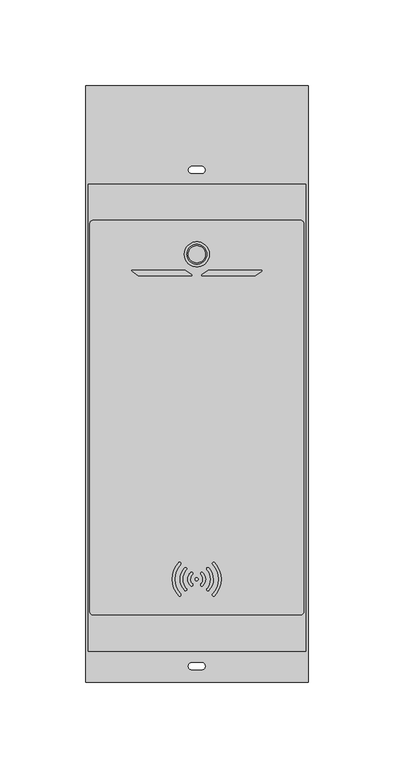
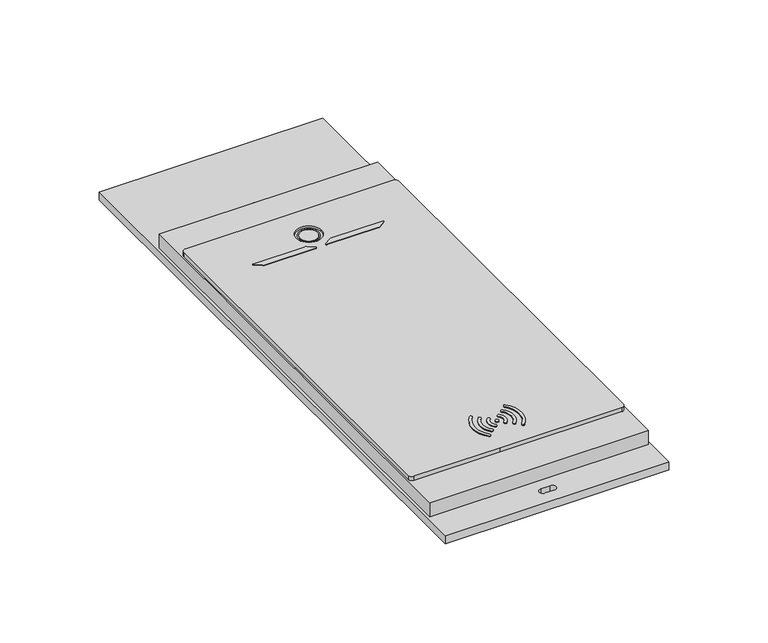
"""IFC4 building model written with IfcOpenShell, lengths in millimetres: proxy geometry."""

import ifcopenshell
import ifcopenshell.guid

model = None  # the IFC model being written
_history = None  # IfcOwnerHistory: only IFC2X3 demands one
_inside = {}  # id of a spatial element -> (the spatial element, [elements in it])
_under = {}  # id of a project, library or spatial element -> (it, [spatial elements below it])
_declared = {}  # id of a project -> (the project, [libraries it declares])
_typed = {}  # id of a type object -> (the type object, [elements of that type])
_made_of = {}  # id of a material, layer set ... -> (it, [elements and type objects made of it])


def new_model(schema):
    """Start an empty IFC model of exactly this schema.

    Asked for "IFC4X3", IfcOpenShell would pick the latest addendum, in which some entities
    have other attributes; the version numbers below select the first issue.
    IFC2X3 requires an IfcOwnerHistory on every rooted entity: one is made here for all.
    """
    global model, _history
    if schema == "IFC4X3":
        model = ifcopenshell.file(schema_version=(4, 3, 0, 0))
    else:
        model = ifcopenshell.file(schema=schema)
    _inside.clear()
    _under.clear()
    _declared.clear()
    _typed.clear()
    _made_of.clear()
    _history = None
    if model.schema == "IFC2X3":
        org = make("IfcOrganization", Name="unknown")
        user = make(
            "IfcPersonAndOrganization",
            ThePerson=make("IfcPerson", FamilyName="unknown"),
            TheOrganization=org,
        )
        app = make(
            "IfcApplication",
            ApplicationDeveloper=org,
            Version="unknown",
            ApplicationFullName="unknown",
            ApplicationIdentifier="unknown",
        )
        _history = make(
            "IfcOwnerHistory",
            OwningUser=user,
            OwningApplication=app,
            ChangeAction="ADDED",
            CreationDate=0,
        )
    return model


def make(cls, **values):
    """One entity of the class cls with the attributes given. An attribute that is None is left unset."""
    return model.create_entity(
        cls, **{name: value for name, value in values.items() if value is not None}
    )


def rooted(cls, **values):
    """An entity with a GlobalId (a new one), such as an element, a storey or a relation."""
    return make(cls, GlobalId=ifcopenshell.guid.new(), OwnerHistory=_history, **values)


def si_unit(unit_type, name, prefix=None):
    """IfcSIUnit, for example si_unit("LENGTHUNIT", "METRE", prefix="MILLI")."""
    return make("IfcSIUnit", UnitType=unit_type, Prefix=prefix, Name=name)


def assignment(units):
    """IfcUnitAssignment: the units of a project."""
    return None if units is None else make("IfcUnitAssignment", Units=units)


def point(xyz):
    """IfcCartesianPoint."""
    return None if xyz is None else make("IfcCartesianPoint", Coordinates=xyz)


def direction(xyz):
    """IfcDirection."""
    return None if xyz is None else make("IfcDirection", DirectionRatios=xyz)


def frame(location, z_axis=None, x_axis=None):
    """IfcAxis2Placement3D, a coordinate frame: its origin and axes. An axis left out is left unset."""
    return make(
        "IfcAxis2Placement3D",
        Location=point(location),
        Axis=direction(z_axis),
        RefDirection=direction(x_axis),
    )


def frame_2d(location, x_axis=None):
    """IfcAxis2Placement2D, a coordinate frame in the plane: its origin and x axis."""
    return make(
        "IfcAxis2Placement2D", Location=point(location), RefDirection=direction(x_axis)
    )


def origin():
    """The frame at (0, 0, 0) with its axes left unset."""
    return frame((0.0, 0.0, 0.0))


def origin_with_axes():
    """The frame at (0, 0, 0) with the z axis (0, 0, 1) and the x axis (1, 0, 0) written out."""
    return frame((0.0, 0.0, 0.0), z_axis=(0.0, 0.0, 1.0), x_axis=(1.0, 0.0, 0.0))


def place(relative_to, where):
    """IfcLocalPlacement: puts the frame where relative to a parent placement (None: the world)."""
    return make(
        "IfcLocalPlacement", PlacementRelTo=relative_to, RelativePlacement=where
    )


def context(
    kind, dimensions, precision=None, world=None, true_north=None, identifier=None
):
    """IfcGeometricRepresentationContext, for example the 3D "Model" context."""
    return make(
        "IfcGeometricRepresentationContext",
        ContextIdentifier=identifier,
        ContextType=kind,
        CoordinateSpaceDimension=dimensions,
        Precision=precision,
        WorldCoordinateSystem=world,
        TrueNorth=true_north,
    )


def project(units=None, contexts=None):
    """IfcProject with its units and contexts."""
    return rooted(
        "IfcProject",
        Name="project",
        RepresentationContexts=contexts,
        UnitsInContext=assignment(units),
    )


def spatial(cls, under=None, at=None, **own):
    """A site, building, storey or space (cls), placed at a placement, below another one or the project."""
    s = rooted(cls, ObjectPlacement=at, **own)
    if under is not None:
        _under.setdefault(under.id(), (under, []))[1].append(s)
    return s


def polyline(points):
    """IfcPolyline through the points."""
    return make("IfcPolyline", Points=[point(p) for p in points])


def circle_curve(where, radius):
    """IfcCircle in the frame where."""
    return make("IfcCircle", Position=where, Radius=radius)


def trimmed(basis, trim1, trim2, sense, master):
    """IfcTrimmedCurve: the piece of a basis curve between two trims."""
    return make(
        "IfcTrimmedCurve",
        BasisCurve=basis,
        Trim1=trim1,
        Trim2=trim2,
        SenseAgreement=sense,
        MasterRepresentation=master,
    )


def segment(curve, same_sense, transition):
    """IfcCompositeCurveSegment."""
    return make(
        "IfcCompositeCurveSegment",
        Transition=transition,
        SameSense=same_sense,
        ParentCurve=curve,
    )


def composite_curve(segments, self_intersect=None):
    """IfcCompositeCurve: segments joined end to end."""
    return make("IfcCompositeCurve", Segments=segments, SelfIntersect=self_intersect)


def outline(outer, holes=None, kind="AREA"):
    """IfcArbitraryClosedProfileDef: a profile drawn as a closed curve; with holes, ...WithVoids."""
    if holes is None:
        return make("IfcArbitraryClosedProfileDef", ProfileType=kind, OuterCurve=outer)
    return make(
        "IfcArbitraryProfileDefWithVoids",
        ProfileType=kind,
        OuterCurve=outer,
        InnerCurves=holes,
    )


def extrude(swept, where, along, depth):
    """IfcExtrudedAreaSolid: the profile swept, set in the frame where, extruded along a direction by depth."""
    return make(
        "IfcExtrudedAreaSolid",
        SweptArea=swept,
        Position=where,
        ExtrudedDirection=direction(along),
        Depth=depth,
    )


def shape(context_of_items, identifier, shape_type, items):
    """IfcShapeRepresentation: the items that make up one representation, for example the "Body"."""
    return make(
        "IfcShapeRepresentation",
        ContextOfItems=context_of_items,
        RepresentationIdentifier=identifier,
        RepresentationType=shape_type,
        Items=items,
    )


def source(mapping_origin, context_of_items, identifier, shape_type, items):
    """IfcRepresentationMap: a shape defined once, which mapped items show again and again."""
    return make(
        "IfcRepresentationMap",
        MappingOrigin=mapping_origin,
        MappedRepresentation=shape(context_of_items, identifier, shape_type, items),
    )


def transform(
    local_origin,
    x_axis=None,
    y_axis=None,
    z_axis=None,
    scale=None,
    scale2=None,
    scale3=None,
    uniform=True,
):
    """IfcCartesianTransformationOperator3D, or its non-uniform kind. x_axis, y_axis, z_axis: its Axis1, 2, 3."""
    if uniform:
        return make(
            "IfcCartesianTransformationOperator3D",
            Axis1=direction(x_axis),
            Axis2=direction(y_axis),
            LocalOrigin=point(local_origin),
            Scale=scale,
            Axis3=direction(z_axis),
        )
    return make(
        "IfcCartesianTransformationOperator3DnonUniform",
        Axis1=direction(x_axis),
        Axis2=direction(y_axis),
        LocalOrigin=point(local_origin),
        Scale=scale,
        Axis3=direction(z_axis),
        Scale2=scale2,
        Scale3=scale3,
    )


def mapped(mapping_source, mapping_target):
    """IfcMappedItem: shows the shape of a source again, moved by a transform."""
    return make(
        "IfcMappedItem", MappingSource=mapping_source, MappingTarget=mapping_target
    )


def made_of(thing, what):
    """Note that an element or type object is made of a material, layer set ...; save() writes the relation."""
    if what is not None:
        _made_of.setdefault(what.id(), (what, []))[1].append(thing)
    return thing


def element(
    cls,
    number,
    at=None,
    inside=None,
    cuts=None,
    type_object=None,
    material=None,
    context=None,
    identifier="Body",
    shape_type=None,
    held_by="IfcProductDefinitionShape",
    body=None,
    shapes=None,
    **own,
):
    """One element of the class cls, such as IfcWall. Its Tag is "e" and its number.

    at: its placement. inside: the storey or other place that contains it. cuts: it is an
    opening in that element (IfcRelVoidsElement). A single representation is given by context,
    identifier, shape_type and body (its items); several are given by shapes. held_by: the class
    of the entity that holds the representations. save() writes the other relations.
    """
    e = rooted(cls, Tag="e%d" % number, ObjectPlacement=at, **own)
    if body is not None:
        shapes = [shape(context, identifier, shape_type, body)]
    if shapes is not None:
        e.Representation = make(held_by, Representations=shapes)
    if inside is not None:
        _inside.setdefault(inside.id(), (inside, []))[1].append(e)
    if cuts is not None:
        rooted(
            "IfcRelVoidsElement", RelatingBuildingElement=cuts, RelatedOpeningElement=e
        )
    if type_object is not None:
        _typed.setdefault(type_object.id(), (type_object, []))[1].append(e)
    return made_of(e, material)


def aggregate(whole, parts):
    """IfcRelAggregates: a whole, such as a stair, and the parts it consists of."""
    return rooted("IfcRelAggregates", RelatingObject=whole, RelatedObjects=parts)


def save(model, path):
    """Write the relations noted so far, then the file.

    IfcRelAggregates (storeys below a building ...), IfcRelContainedInSpatialStructure (elements
    in a storey), IfcRelDefinesByType, IfcRelAssociatesMaterial and IfcRelDeclares: one each for
    every whole, place, type object, material and project.
    """
    for whole, parts in _under.values():
        aggregate(whole, parts)
    for where, things in _inside.values():
        rooted(
            "IfcRelContainedInSpatialStructure",
            RelatedElements=things,
            RelatingStructure=where,
        )
    for kind, things in _typed.values():
        rooted("IfcRelDefinesByType", RelatedObjects=things, RelatingType=kind)
    for what, things in _made_of.values():
        rooted("IfcRelAssociatesMaterial", RelatedObjects=things, RelatingMaterial=what)
    for by, libraries in _declared.values():
        rooted("IfcRelDeclares", RelatingContext=by, RelatedDefinitions=libraries)
    model.write(path)


def plane_surface(at):
    """IfcPlane: the flat surface through the origin of the frame at, square to its z axis."""
    return make("IfcPlane", Position=at)


def cylinder_surface(at, radius):
    """IfcCylindricalSurface: all points at the distance radius from the z axis of the frame at."""
    return make("IfcCylindricalSurface", Position=at, Radius=radius)


def revolved_surface(curve, axis_point, axis_direction):
    """IfcSurfaceOfRevolution: the curve turned about the line through axis_point along axis_direction."""
    return make(
        "IfcSurfaceOfRevolution",
        SweptCurve=make("IfcArbitraryOpenProfileDef", ProfileType="CURVE", Curve=curve),
        AxisPosition=make("IfcAxis1Placement", Location=point(axis_point), Axis=direction(axis_direction)),
    )


def advanced_brep(points, edges, surfaces, faces):
    """IfcAdvancedBrep: a solid bounded by faces that lie on surfaces and meet in shared edges.

    An edge is (start, end): straight between two places in points (the first is 0);
    or (start, end, curve); or (start, end, curve, False) where it runs against its curve.
    A face is (place in surfaces, loops), or (place, loops, False) where it looks against
    its surface's normal. A loop lists edges by number (the first is 1), with a minus sign
    where the edge is run from its end to its start. The first loop is the outer one.
    """
    corners = [point(p) for p in points]
    vertices = [make("IfcVertexPoint", VertexGeometry=c) for c in corners]
    made = []
    for start, end, *more in edges:
        made.append(
            make(
                "IfcEdgeCurve",
                EdgeStart=vertices[start],
                EdgeEnd=vertices[end],
                EdgeGeometry=more[0] if more else make("IfcPolyline", Points=[corners[start], corners[end]]),
                SameSense=more[1] if len(more) > 1 else True,
            )
        )
    hull = []
    for where, loops, *sense in faces:
        bounds = []
        for j, loop in enumerate(loops):
            ring = [make("IfcOrientedEdge", EdgeElement=made[abs(k) - 1], Orientation=k > 0) for k in loop]
            bounds.append(
                make(
                    "IfcFaceOuterBound" if j == 0 else "IfcFaceBound",
                    Bound=make("IfcEdgeLoop", EdgeList=ring),
                    Orientation=True,
                )
            )
        hull.append(make("IfcAdvancedFace", Bounds=bounds, FaceSurface=surfaces[where], SameSense=sense[0] if sense else True))
    return make("IfcAdvancedBrep", Outer=make("IfcClosedShell", CfsFaces=hull))


def electrical_fixtures_8f04fed2(model_context):
    return source(origin(), model_context, "Body", "SolidModel", [
        extrude(outline(composite_curve([segment(polyline([(-3.1763334, 246.0427837), (-33.3244785, 246.0427837)]), True, "CONTINUOUS"), segment(trimmed(circle_curve(frame_2d((-33.3244785, 247.3719336)), 1.3291498), [point((-33.3244785, 246.0427837))], [point((-34.0868475, 246.2831577))], False, "CARTESIAN"), True, "CONTINUOUS"), segment(polyline([(-34.0868475, 246.2831577), (-37.8423857, 248.9128139)]), True, "CONTINUOUS"), segment(trimmed(circle_curve(frame_2d((-37.6460012, 249.19328)), 0.3423859), [point((-37.8423857, 248.9128139))], [point((-37.6460012, 249.5356659))], False, "CARTESIAN"), True, "CONTINUOUS"), segment(polyline([(-37.6460012, 249.5356659), (-7.6074142, 249.5356659)]), True, "CONTINUOUS"), segment(trimmed(circle_curve(frame_2d((-7.6074142, 248.039842)), 1.4958239), [point((-7.6074142, 249.5356659))], [point((-6.7494449, 249.2651492))], False, "CARTESIAN"), True, "CONTINUOUS"), segment(polyline([(-6.7494449, 249.2651492), (-2.9902584, 246.6329384)]), True, "CONTINUOUS"), segment(trimmed(circle_curve(frame_2d((-3.1763334, 246.3671957)), 0.324412), [point((-2.9902584, 246.6329384))], [point((-3.1763334, 246.0427837))], False, "CARTESIAN"), True, "CONTINUOUS")], self_intersect=False)), frame((0.0, 0.0, 16.1), z_axis=(0.0, 0.0, 1.0), x_axis=(1.0, 0.0, 0.0)), (0.0, 0.0, 1.0), 0.3561075),
        extrude(outline(composite_curve([segment(trimmed(circle_curve(frame_2d((3.1763334, 246.3671957)), 0.324412), [point((3.1763334, 246.0427837))], [point((2.9902584, 246.6329384))], False, "CARTESIAN"), True, "CONTINUOUS"), segment(polyline([(2.9902584, 246.6329384), (6.7494449, 249.2651492)]), True, "CONTINUOUS"), segment(trimmed(circle_curve(frame_2d((7.6074142, 248.039842)), 1.4958239), [point((6.7494449, 249.2651492))], [point((7.6074142, 249.5356659))], False, "CARTESIAN"), True, "CONTINUOUS"), segment(polyline([(7.6074142, 249.5356659), (37.6460012, 249.5356659)]), True, "CONTINUOUS"), segment(trimmed(circle_curve(frame_2d((37.6460012, 249.19328)), 0.3423859), [point((37.6460012, 249.5356659))], [point((37.8423857, 248.9128139))], False, "CARTESIAN"), True, "CONTINUOUS"), segment(polyline([(37.8423857, 248.9128139), (34.0868475, 246.2831577)]), True, "CONTINUOUS"), segment(trimmed(circle_curve(frame_2d((33.3244785, 247.3719336)), 1.3291498), [point((34.0868475, 246.2831577))], [point((33.3244785, 246.0427837))], False, "CARTESIAN"), True, "CONTINUOUS"), segment(polyline([(33.3244785, 246.0427837), (3.1763334, 246.0427837)]), True, "CONTINUOUS")], self_intersect=False)), frame((0.0, 0.0, 16.1), z_axis=(0.0, 0.0, 1.0), x_axis=(1.0, 0.0, 0.0)), (0.0, 0.0, 1.0), 0.3561075),
        extrude(outline(composite_curve([segment(trimmed(circle_curve(frame_2d((-0.0880751, 68.8943477)), 12.7536081), [point((-9.4997919, 77.5009794))], [point((-9.463318, 60.2479994))], True, "CARTESIAN"), True, "CONTINUOUS"), segment(trimmed(circle_curve(frame_2d((-10.0155013, 59.7387466)), 0.7511622), [point((-9.463318, 60.2479994))], [point((-10.524754, 59.1865634))], False, "CARTESIAN"), True, "CONTINUOUS"), segment(trimmed(circle_curve(frame_2d((-0.0880751, 68.8943477)), 14.2536081), [point((-10.524754, 59.1865634))], [point((-10.5659757, 78.5576258))], False, "CARTESIAN"), True, "CONTINUOUS"), segment(trimmed(circle_curve(frame_2d((-10.0566301, 78.0053419)), 0.7512992), [point((-10.5659757, 78.5576258))], [point((-9.4997919, 77.5009794))], False, "CARTESIAN"), True, "CONTINUOUS")], self_intersect=False)), frame((0.0, 0.0, 16.1), z_axis=(0.0, 0.0, 1.0), x_axis=(1.0, 0.0, 0.0)), (0.0, 0.0, 1.0), 0.5315556),
        extrude(outline(composite_curve([segment(trimmed(circle_curve(frame_2d((-0.2026035, 68.8943477)), 8.0900219), [point((-6.0967067, 74.4358278))], [point((-6.1229441, 63.3809077))], True, "CARTESIAN"), True, "CONTINUOUS"), segment(trimmed(circle_curve(frame_2d((-6.6752868, 62.8723932)), 0.7507793), [point((-6.1229441, 63.3809077))], [point((-7.1895535, 62.325402))], False, "CARTESIAN"), True, "CONTINUOUS"), segment(trimmed(circle_curve(frame_2d((-0.2026035, 68.8943477)), 9.5900219), [point((-7.1895535, 62.325402))], [point((-7.1577921, 75.4969132))], False, "CARTESIAN"), True, "CONTINUOUS"), segment(trimmed(circle_curve(frame_2d((-6.643609, 74.9500109)), 0.7506573), [point((-7.1577921, 75.4969132))], [point((-6.0967067, 74.4358278))], False, "CARTESIAN"), True, "CONTINUOUS")], self_intersect=False)), frame((0.0, 0.0, 16.1), z_axis=(0.0, 0.0, 1.0), x_axis=(1.0, 0.0, 0.0)), (0.0, 0.0, 1.0), 0.5315556),
        extrude(outline(composite_curve([segment(trimmed(circle_curve(frame_2d((-3.0715627, 65.5996865)), 0.75206), [point((-2.6211041, 66.2019168))], [point((-3.5773715, 65.0431332))], False, "CARTESIAN"), True, "CONTINUOUS"), segment(trimmed(circle_curve(frame_2d((-0.0855561, 68.8852601)), 5.1917929), [point((-3.5773715, 65.0431332))], [point((-3.5773715, 72.727387))], False, "CARTESIAN"), True, "CONTINUOUS"), segment(trimmed(circle_curve(frame_2d((-3.0715627, 72.1708337)), 0.75206), [point((-3.5773715, 72.727387))], [point((-2.5150093, 71.6650249))], False, "CARTESIAN"), True, "CONTINUOUS"), segment(trimmed(circle_curve(frame_2d((-0.0855561, 68.8852601)), 3.6917929), [point((-2.5150093, 71.6650249))], [point((-2.6211041, 66.2019168))], True, "CARTESIAN"), True, "CONTINUOUS")], self_intersect=False)), frame((0.0, 0.0, 16.1), z_axis=(0.0, 0.0, 1.0), x_axis=(1.0, 0.0, 0.0)), (0.0, 0.0, 1.0), 0.5315556),
        extrude(outline(composite_curve([segment(trimmed(circle_curve(frame_2d((-0.0855561, 68.8852601)), 0.9133142), [point((-0.9988703, 68.8852601))], [point((0.8277581, 68.8852601))], False, "CARTESIAN"), True, "CONTINUOUS"), segment(trimmed(circle_curve(frame_2d((-0.0855561, 68.8852601)), 0.9133142), [point((0.8277581, 68.8852601))], [point((-0.9988703, 68.8852601))], False, "CARTESIAN"), True, "CONTINUOUS")], self_intersect=False)), frame((0.0, 0.0, 16.1), z_axis=(0.0, 0.0, 1.0), x_axis=(1.0, 0.0, 0.0)), (0.0, 0.0, 1.0), 0.5315556),
        extrude(outline(composite_curve([segment(trimmed(circle_curve(frame_2d((9.885518, 78.0053419)), 0.7512992), [point((9.3286797, 77.5009794))], [point((10.3948636, 78.5576258))], False, "CARTESIAN"), True, "CONTINUOUS"), segment(trimmed(circle_curve(frame_2d((-0.0830371, 68.8943477)), 14.2536081), [point((10.3948636, 78.5576258))], [point((10.3536419, 59.1865634))], False, "CARTESIAN"), True, "CONTINUOUS"), segment(trimmed(circle_curve(frame_2d((9.8443891, 59.7387466)), 0.7511622), [point((10.3536419, 59.1865634))], [point((9.2922059, 60.2479994))], False, "CARTESIAN"), True, "CONTINUOUS"), segment(trimmed(circle_curve(frame_2d((-0.0830371, 68.8943477)), 12.7536081), [point((9.2922059, 60.2479994))], [point((9.3286797, 77.5009794))], True, "CARTESIAN"), True, "CONTINUOUS")], self_intersect=False)), frame((0.0, 0.0, 16.1), z_axis=(0.0, 0.0, 1.0), x_axis=(1.0, 0.0, 0.0)), (0.0, 0.0, 1.0), 0.5315556),
        extrude(outline(composite_curve([segment(trimmed(circle_curve(frame_2d((6.4724968, 74.9500109)), 0.7506573), [point((5.9255945, 74.4358278))], [point((6.9866799, 75.4969132))], False, "CARTESIAN"), True, "CONTINUOUS"), segment(trimmed(circle_curve(frame_2d((0.0314913, 68.8943477)), 9.5900219), [point((6.9866799, 75.4969132))], [point((7.0184413, 62.325402))], False, "CARTESIAN"), True, "CONTINUOUS"), segment(trimmed(circle_curve(frame_2d((6.5041747, 62.8723932)), 0.7507793), [point((7.0184413, 62.325402))], [point((5.9518319, 63.3809077))], False, "CARTESIAN"), True, "CONTINUOUS"), segment(trimmed(circle_curve(frame_2d((0.0314913, 68.8943477)), 8.0900219), [point((5.9518319, 63.3809077))], [point((5.9255945, 74.4358278))], True, "CARTESIAN"), True, "CONTINUOUS")], self_intersect=False)), frame((0.0, 0.0, 16.1), z_axis=(0.0, 0.0, 1.0), x_axis=(1.0, 0.0, 0.0)), (0.0, 0.0, 1.0), 0.5315556),
        extrude(outline(composite_curve([segment(trimmed(circle_curve(frame_2d((-0.0855561, 68.8852601)), 3.6917929), [point((2.4499919, 66.2019168))], [point((2.3438971, 71.6650249))], True, "CARTESIAN"), True, "CONTINUOUS"), segment(trimmed(circle_curve(frame_2d((2.9004505, 72.1708337)), 0.75206), [point((2.3438971, 71.6650249))], [point((3.4062593, 72.727387))], False, "CARTESIAN"), True, "CONTINUOUS"), segment(trimmed(circle_curve(frame_2d((-0.0855561, 68.8852601)), 5.1917929), [point((3.4062593, 72.727387))], [point((3.4062593, 65.0431332))], False, "CARTESIAN"), True, "CONTINUOUS"), segment(trimmed(circle_curve(frame_2d((2.9004505, 65.5996865)), 0.75206), [point((3.4062593, 65.0431332))], [point((2.4499919, 66.2019168))], False, "CARTESIAN"), True, "CONTINUOUS")], self_intersect=False)), frame((0.0, 0.0, 16.1), z_axis=(0.0, 0.0, 1.0), x_axis=(1.0, 0.0, 0.0)), (0.0, 0.0, 1.0), 0.5315556),
        extrude(outline(composite_curve([segment(trimmed(circle_curve(frame_2d((0.0, 258.7084961)), 5.0), [point((-5.0, 258.7084961))], [point((5.0, 258.7084961))], False, "CARTESIAN"), True, "CONTINUOUS"), segment(trimmed(circle_curve(frame_2d((0.0, 258.7084961)), 5.0), [point((5.0, 258.7084961))], [point((-5.0, 258.7084961))], False, "CARTESIAN"), True, "CONTINUOUS")], self_intersect=False)), frame((0.0, 0.0, 14.783392), z_axis=(0.0, 0.0, 1.0), x_axis=(1.0, 0.0, 0.0)), (0.0, 0.0, 1.0), 0.5341114),
        advanced_brep(
        [(60.5, 278.5, 16.1), (-60.5, 278.5, 16.1), (-62.5, 276.5, 16.1), (-62.5, 50.0, 16.1), (-60.5, 48.0, 16.1), (-10.5635083, 48.0, 16.1), (60.5, 48.0, 16.1), (62.5, 50.0, 16.1), (62.5, 276.5, 16.1), (7.2832104, 258.7084961, 16.1), (-7.2832104, 258.7084961, 16.1), (60.5, 278.5, 13.5), (62.5, 276.5, 13.5), (62.5, 50.0, 13.5), (60.5, 48.0, 13.5), (-10.5635083, 48.0, 13.5), (-60.5, 48.0, 13.5), (-62.5, 50.0, 13.5), (-62.5, 276.5, 13.5), (-60.5, 278.5, 13.5), (-7.2832104, 258.7084961, 14.783392), (7.2832104, 258.7084961, 14.783392)],
        [
            (0, 1),
            (1, 2, circle_curve(frame((-60.5, 276.5, 16.1), z_axis=(0.0, 0.0, 1.0), x_axis=(1.0, 0.0, 0.0)), 2.0)),
            (2, 3),
            (3, 4, circle_curve(frame((-60.5, 50.0, 16.1), z_axis=(0.0, 0.0, 1.0), x_axis=(1.0, 0.0, 0.0)), 2.0)),
            (4, 5),
            (5, 6),
            (6, 7, circle_curve(frame((60.5, 50.0, 16.1), z_axis=(0.0, 0.0, 1.0), x_axis=(1.0, 0.0, 0.0)), 2.0)),
            (7, 8),
            (8, 0, circle_curve(frame((60.5, 276.5, 16.1), z_axis=(0.0, 0.0, 1.0), x_axis=(1.0, 0.0, 0.0)), 2.0)),
            (9, 10, circle_curve(frame((0.0, 258.7084961, 16.1), z_axis=(0.0, 0.0, -1.0), x_axis=(1.0, 0.0, 0.0)), 7.2832104)),
            (10, 9, circle_curve(frame((0.0, 258.7084961, 16.1), z_axis=(0.0, 0.0, -1.0), x_axis=(1.0, 0.0, 0.0)), 7.2832104)),
            (11, 12, circle_curve(frame((60.5, 276.5, 13.5), z_axis=(0.0, 0.0, -1.0), x_axis=(1.0, 0.0, 0.0)), 2.0)),
            (12, 13),
            (13, 14, circle_curve(frame((60.5, 50.0, 13.5), z_axis=(0.0, 0.0, -1.0), x_axis=(1.0, 0.0, 0.0)), 2.0)),
            (14, 15),
            (15, 16),
            (16, 17, circle_curve(frame((-60.5, 50.0, 13.5), z_axis=(0.0, 0.0, -1.0), x_axis=(1.0, 0.0, 0.0)), 2.0)),
            (17, 18),
            (18, 19, circle_curve(frame((-60.5, 276.5, 13.5), z_axis=(0.0, 0.0, -1.0), x_axis=(1.0, 0.0, 0.0)), 2.0)),
            (19, 11),
            (0, 11),
            (19, 1),
            (18, 2),
            (17, 3),
            (16, 4),
            (15, 5),
            (14, 6),
            (13, 7),
            (12, 8),
            (20, 21, circle_curve(frame((0.0, 258.7084961, 14.783392), z_axis=(0.0, 0.0, 1.0), x_axis=(1.0, 0.0, 0.0)), 7.2832104)),
            (21, 20, circle_curve(frame((0.0, 258.7084961, 14.783392), z_axis=(0.0, 0.0, 1.0), x_axis=(1.0, 0.0, 0.0)), 7.2832104)),
            (20, 10),
            (9, 21),
        ],
        [
            plane_surface(frame((60.5, 278.5, 16.1), z_axis=(0.0, 0.0, 1.0), x_axis=(-1.0, 0.0, 0.0))),
            plane_surface(frame((60.5, 278.5, 13.5), z_axis=(0.0, 0.0, -1.0), x_axis=(1.0, 0.0, 0.0))),
            plane_surface(frame((60.5, 278.5, 16.1), z_axis=(0.0, 1.0, 0.0), x_axis=(0.0, 0.0, -1.0))),
            cylinder_surface(frame((-60.5, 276.5, 13.5), z_axis=(0.0, 0.0, 1.0), x_axis=(1.0, 0.0, 0.0)), 2.0),
            plane_surface(frame((-62.5, 276.5, 16.1), z_axis=(-1.0, 0.0, 0.0), x_axis=(0.0, 0.0, -1.0))),
            cylinder_surface(frame((-60.5, 50.0, 13.5), z_axis=(0.0, 0.0, 1.0), x_axis=(1.0, 0.0, 0.0)), 2.0),
            plane_surface(frame((-60.5, 48.0, 16.1), z_axis=(0.0, -1.0, 0.0), x_axis=(0.0, 0.0, -1.0))),
            plane_surface(frame((-10.5635083, 48.0, 16.1), z_axis=(0.0, -1.0, 0.0), x_axis=(0.0, 0.0, -1.0))),
            cylinder_surface(frame((60.5, 50.0, 13.5), z_axis=(0.0, 0.0, 1.0), x_axis=(1.0, 0.0, 0.0)), 2.0),
            plane_surface(frame((62.5, 50.0, 16.1), z_axis=(1.0, 0.0, 0.0), x_axis=(0.0, 0.0, -1.0))),
            cylinder_surface(frame((60.5, 276.5, 13.5), z_axis=(0.0, 0.0, 1.0), x_axis=(1.0, 0.0, 0.0)), 2.0),
            plane_surface(frame((7.2832104, 258.7084961, 14.783392), z_axis=(0.0, 0.0, 1.0), x_axis=(0.0, -1.0, 0.0))),
            revolved_surface(polyline([(7.2832104, 258.7084961, 16.1), (7.2832104, 258.7084961, 14.783392)]), (0.0, 258.7084961, 14.783392), (0.0, 0.0, 1.0)),
        ],
        [
            (0, [[1, 2, 3, 4, 5, 6, 7, 8, 9], [10, 11]]),
            (1, [[12, 13, 14, 15, 16, 17, 18, 19, 20]]),
            (2, [[-1, 21, -20, 22]]),
            (3, [[-2, -22, -19, 23]]),
            (4, [[-3, -23, -18, 24]]),
            (5, [[-4, -24, -17, 25]]),
            (6, [[-5, -25, -16, 26]]),
            (7, [[-6, -26, -15, 27]]),
            (8, [[-7, -27, -14, 28]]),
            (9, [[-8, -28, -13, 29]]),
            (10, [[-9, -29, -12, -21]]),
            (11, [[30, 31]]),
            (12, [[-30, 32, -10, 33]]),
            (12, [[-31, -33, -11, -32]]),
        ],
    ),
        extrude(outline(composite_curve([segment(trimmed(circle_curve(frame_2d((0.0, 258.7084961)), 5.8143325), [point((-5.8143325, 258.7084961))], [point((5.8143325, 258.7084961))], False, "CARTESIAN"), True, "CONTINUOUS"), segment(trimmed(circle_curve(frame_2d((0.0, 258.7084961)), 5.8143325), [point((5.8143325, 258.7084961))], [point((-5.8143325, 258.7084961))], False, "CARTESIAN"), True, "CONTINUOUS")], self_intersect=False), holes=[composite_curve([segment(trimmed(circle_curve(frame_2d((0.0, 258.7084961)), 5.0), [point((-5.0, 258.7084961))], [point((5.0, 258.7084961))], True, "CARTESIAN"), True, "CONTINUOUS"), segment(trimmed(circle_curve(frame_2d((0.0, 258.7084961)), 5.0), [point((5.0, 258.7084961))], [point((-5.0, 258.7084961))], True, "CARTESIAN"), True, "CONTINUOUS")], self_intersect=False)]), frame((0.0, 0.0, 14.783392), z_axis=(0.0, 0.0, 1.0), x_axis=(1.0, 0.0, 0.0)), (0.0, 0.0, 1.0), 0.5341114),
        extrude(outline(polyline([(-63.5539759, 299.5), (63.5846278, 299.5), (63.5846278, 26.8046847), (-63.5539759, 26.8046847), (-63.5539759, 299.5)])), frame((0.0, 0.0, 4.8793492), z_axis=(0.0, 0.0, 1.0), x_axis=(1.0, 0.0, 0.0)), (0.0, 0.0, 1.0), 8.6206508),
        extrude(outline(polyline([(-65.0, 357.291427), (65.0, 357.291427), (65.0, 8.5707578), (-65.0, 8.5707578), (-65.0, 357.291427)]), holes=[composite_curve([segment(polyline([(2.8045716, 20.0983141), (-2.8092278, 20.0983141)]), True, "CONTINUOUS"), segment(trimmed(circle_curve(frame_2d((-2.8092278, 18.0306802)), 2.0676339), [point((-2.8092278, 20.0983141))], [point((-2.8092278, 15.9630462))], True, "CARTESIAN"), True, "CONTINUOUS"), segment(polyline([(-2.8092278, 15.9630462), (2.8045716, 15.9630462)]), True, "CONTINUOUS"), segment(trimmed(circle_curve(frame_2d((2.8045716, 18.0306802)), 2.0676339), [point((2.8045716, 15.9630462))], [point((2.8045716, 20.0983141))], True, "CARTESIAN"), True, "CONTINUOUS")], self_intersect=False), composite_curve([segment(polyline([(2.8045716, 310.0983141), (-2.8092278, 310.0983141)]), True, "CONTINUOUS"), segment(trimmed(circle_curve(frame_2d((-2.8092278, 308.0306802)), 2.0676339), [point((-2.8092278, 310.0983141))], [point((-2.8092278, 305.9630462))], True, "CARTESIAN"), True, "CONTINUOUS"), segment(polyline([(-2.8092278, 305.9630462), (2.8045716, 305.9630462)]), True, "CONTINUOUS"), segment(trimmed(circle_curve(frame_2d((2.8045716, 308.0306802)), 2.0676339), [point((2.8045716, 305.9630462))], [point((2.8045716, 310.0983141))], True, "CARTESIAN"), True, "CONTINUOUS")], self_intersect=False)]), origin_with_axes(), (0.0, 0.0, 1.0), 4.8793492),
    ])


if __name__ == "__main__":
    model = new_model("IFC4")
    model_context = context("Model", 3, world=origin())
    ifc_project = project(units=[si_unit("LENGTHUNIT", "METRE", prefix="MILLI")], contexts=[model_context])
    site = spatial("IfcSite", under=ifc_project)
    building = spatial("IfcBuilding", under=site)
    placement = place(None, origin())
    electrical_fixtures_shape = electrical_fixtures_8f04fed2(model_context)
    element("IfcBuildingElementProxy", 1, Name="Electrical Fixtures", at=placement, inside=building, context=model_context, shape_type="MappedRepresentation", body=[
        mapped(electrical_fixtures_shape, transform((0.0, 0.0, 0.0), x_axis=(1.0, 0.0, 0.0), y_axis=(0.0, 1.0, 0.0), z_axis=(0.0, 0.0, 1.0))),
    ])
    save(model, "model.ifc")
